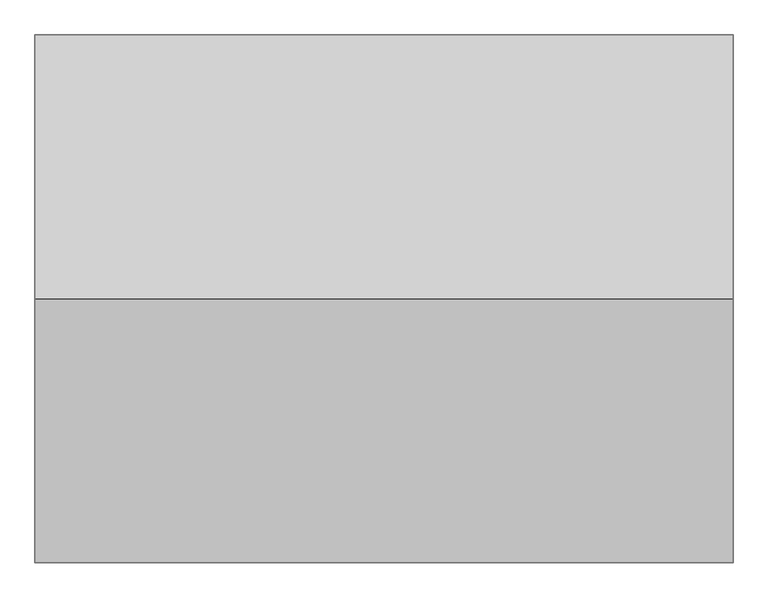
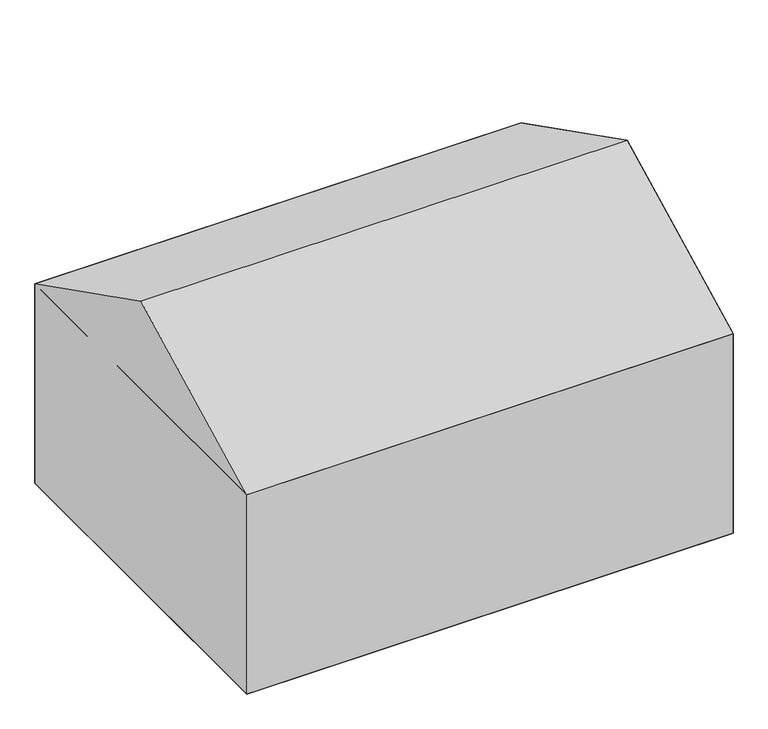
"""IFC4 building model written with IfcOpenShell, lengths in millimetres: geographic element geometry."""

from ifc_helpers import new_model, si_unit, origin, place, context, project, spatial, triangles, source, transform, mapped, element, save


def geographic_element_eca5a4b4(model_context):
    return source(origin(), model_context, "Body", "Tessellation", [
        triangles([(325.5263875, 8274.8303787, 4406.2650581), (325.5263875, 595.7133113, 4406.2650581), (325.5263875, 4435.2717178, 6352.2227325), (10487.2063843, 4435.2717178, 6352.2227325), (10487.2063843, 8274.8303787, 4406.2650581), (10487.2063843, 595.7133113, 4406.2650581), (10487.2063843, 8274.8303787, 0.0), (325.5263875, 595.7133113, 0.0), (325.5263875, 8274.8303787, 0.0), (10487.2063843, 595.7133113, 0.0)], [[1, 2, 3], [4, 1, 3], [1, 4, 5], [5, 4, 6], [6, 3, 2], [3, 6, 4], [5, 2, 1], [2, 5, 6], [6, 1, 2], [1, 6, 5], [7, 8, 9], [8, 7, 10], [1, 8, 2], [8, 1, 9], [6, 8, 10], [8, 6, 2], [1, 7, 9], [7, 1, 5], [7, 6, 10], [6, 7, 5]], closed=False),
    ])


if __name__ == "__main__":
    model = new_model("IFC4")
    model_context = context("Model", 3, world=origin())
    ifc_project = project(units=[si_unit("LENGTHUNIT", "METRE", prefix="MILLI")], contexts=[model_context])
    site = spatial("IfcSite", under=ifc_project)
    building = spatial("IfcBuilding", under=site)
    placement = place(None, origin())
    geographic_element_shape = geographic_element_eca5a4b4(model_context)
    element("IfcGeographicElement", 1, at=placement, inside=building, context=model_context, shape_type="MappedRepresentation", body=[
        mapped(geographic_element_shape, transform((0.0, 0.0, 0.0), x_axis=(1.0, 0.0, 0.0), y_axis=(0.0, 1.0, 0.0), z_axis=(0.0, 0.0, 1.0))),
    ])
    save(model, "model.ifc")
